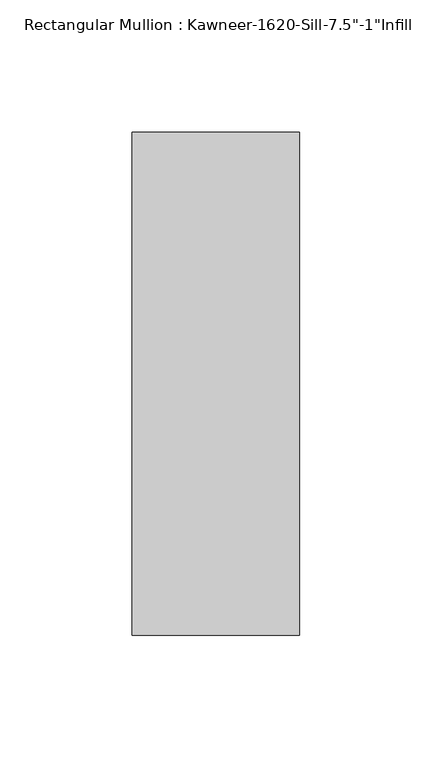
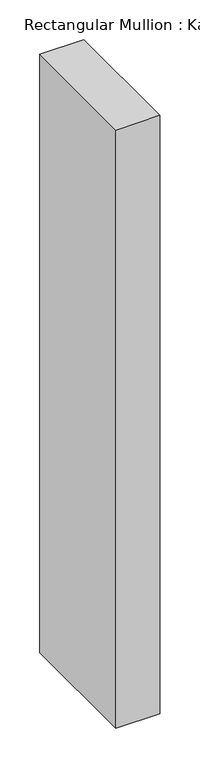
"""IFC4 building model written with IfcOpenShell, lengths in millimetres: member geometry."""

from ifc_helpers import new_model, si_unit, frame, origin, place, context, project, spatial, polyline, outline, extrude, source, transform, mapped, element, save


def member_d2ecc9f3(model_context):
    return source(origin(), model_context, "Body", "SweptSolid", [
        extrude(outline(polyline([(-63.5, 38.1), (0.0, 38.1), (0.0, -152.4), (-63.5, -152.4), (-63.5, 38.1)])), frame((0.0, 0.0, -914.4), z_axis=(0.0, 0.0, 1.0), x_axis=(1.0, 0.0, 0.0)), (0.0, 0.0, 1.0), 914.4),
    ])


if __name__ == "__main__":
    model = new_model("IFC4")
    model_context = context("Model", 3, world=origin())
    ifc_project = project(units=[si_unit("LENGTHUNIT", "METRE", prefix="MILLI")], contexts=[model_context])
    site = spatial("IfcSite", under=ifc_project)
    building = spatial("IfcBuilding", under=site)
    placement = place(None, origin())
    member_shape = member_d2ecc9f3(model_context)
    element("IfcMember", 1, ObjectType="Rectangular Mullion : Kawneer-1620-Sill-7.5\"-1\"Infill", at=placement, inside=building, context=model_context, shape_type="MappedRepresentation", body=[
        mapped(member_shape, transform((0.0, 0.0, 0.0), x_axis=(1.0, 0.0, 0.0), y_axis=(0.0, 1.0, 0.0), z_axis=(0.0, 0.0, 1.0))),
    ])
    save(model, "model.ifc")
